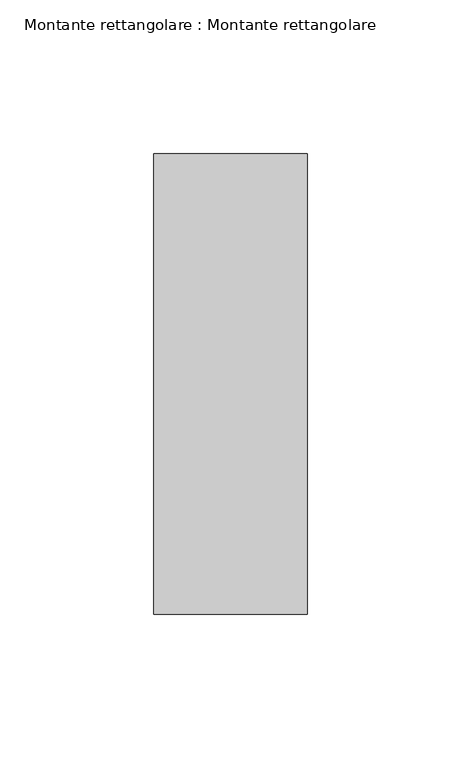
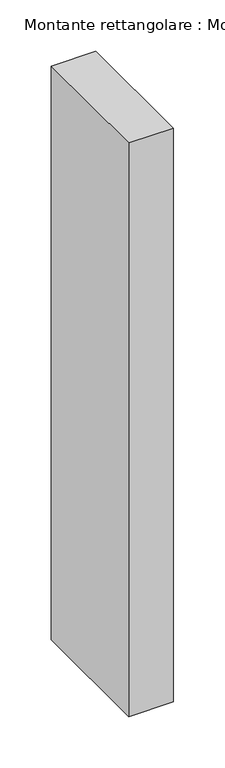
"""IFC4 building model written with IfcOpenShell, lengths in millimetres: member geometry, Montante rettangolare : Montante rettangolare."""

from ifc_helpers import new_model, si_unit, frame, origin, place, context, project, spatial, polyline, outline, extrude, source, transform, mapped, element, save


def montante_rettangolare_montante_rettangolare_207248bf(model_context):
    return source(origin(), model_context, "Body", "SweptSolid", [
        extrude(outline(polyline([(0.0, 75.0), (0.0, -75.0), (-50.0, -75.0), (-50.0, 75.0), (0.0, 75.0)])), frame((0.0, 0.0, -681.0), z_axis=(0.0, 0.0, 1.0), x_axis=(1.0, 0.0, 0.0)), (0.0, 0.0, 1.0), 681.0),
    ])


if __name__ == "__main__":
    model = new_model("IFC4")
    model_context = context("Model", 3, world=origin())
    ifc_project = project(units=[si_unit("LENGTHUNIT", "METRE", prefix="MILLI")], contexts=[model_context])
    site = spatial("IfcSite", under=ifc_project)
    building = spatial("IfcBuilding", under=site)
    placement = place(None, origin())
    montante_rettangolare_montante_rettangolare_shape = montante_rettangolare_montante_rettangolare_207248bf(model_context)
    element("IfcMember", 1, ObjectType="Montante rettangolare : Montante rettangolare", at=placement, inside=building, context=model_context, shape_type="MappedRepresentation", body=[
        mapped(montante_rettangolare_montante_rettangolare_shape, transform((0.0, 0.0, 0.0), x_axis=(1.0, 0.0, 0.0), y_axis=(0.0, 1.0, 0.0), z_axis=(0.0, 0.0, 1.0))),
    ])
    save(model, "model.ifc")
